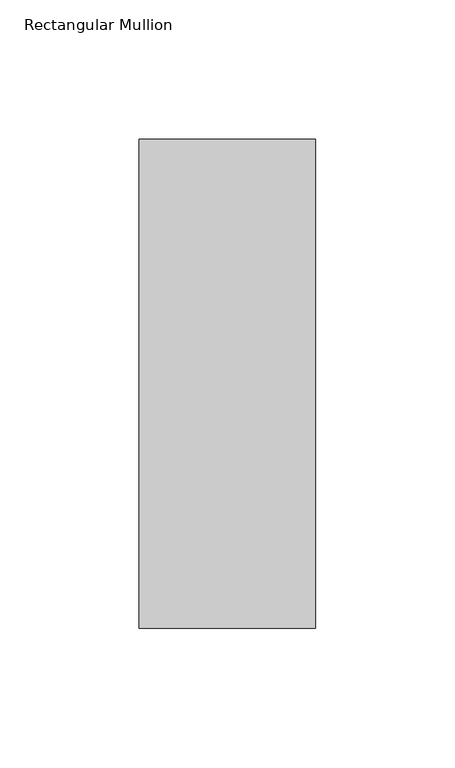
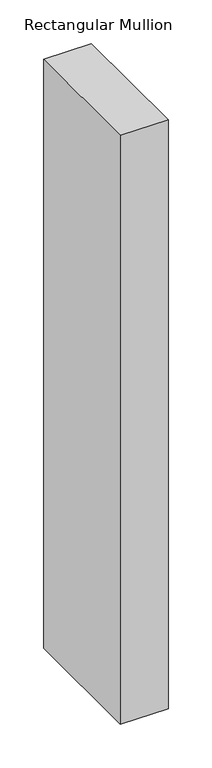
"""IFC4 building model written with IfcOpenShell, lengths in millimetres: member geometry, Rectangular Mullion."""

from ifc_helpers import new_model, si_unit, frame, origin, place, context, project, spatial, polyline, outline, extrude, source, transform, mapped, element, save


def rectangular_mullion_97670ed6(model_context):
    return source(origin(), model_context, "Body", "SweptSolid", [
        extrude(outline(polyline([(-31.75, 222.5381313), (31.75, 222.5381313), (31.75, 46.7447302), (-31.75, 46.7447302), (-31.75, 222.5381313)])), frame((0.0, 0.0, -825.5), z_axis=(0.0, 0.0, 1.0), x_axis=(1.0, 0.0, 0.0)), (0.0, 0.0, 1.0), 825.5),
    ])


if __name__ == "__main__":
    model = new_model("IFC4")
    model_context = context("Model", 3, world=origin())
    ifc_project = project(units=[si_unit("LENGTHUNIT", "METRE", prefix="MILLI")], contexts=[model_context])
    site = spatial("IfcSite", under=ifc_project)
    building = spatial("IfcBuilding", under=site)
    placement = place(None, origin())
    rectangular_mullion_shape = rectangular_mullion_97670ed6(model_context)
    element("IfcMember", 1, ObjectType="Rectangular Mullion", at=placement, inside=building, context=model_context, shape_type="MappedRepresentation", body=[
        mapped(rectangular_mullion_shape, transform((0.0, 0.0, 0.0), x_axis=(1.0, 0.0, 0.0), y_axis=(0.0, 1.0, 0.0), z_axis=(0.0, 0.0, 1.0))),
    ])
    save(model, "model.ifc")
